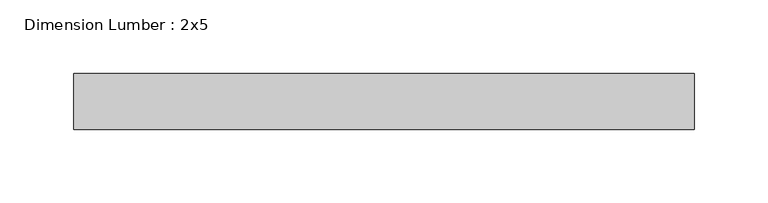
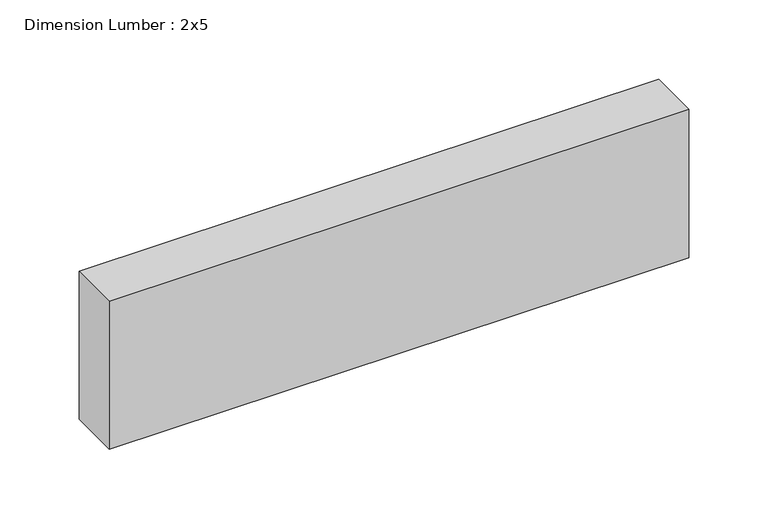
"""IFC4 building model written with IfcOpenShell, lengths in millimetres: beam geometry, Dimension Lumber : 2x5."""

from ifc_helpers import new_model, si_unit, frame, origin, place, context, project, spatial, polyline, outline, extrude, source, transform, mapped, element, save


def dimension_lumber_2x5_c65f589e(model_context):
    return source(origin(), model_context, "Body", "SweptSolid", [
        extrude(outline(polyline([(209.4026681, 19.05), (209.4026681, -19.05), (-212.8672009, -19.05), (-212.8672009, 19.05), (209.4026681, 19.05)])), frame((0.0, 0.0, -57.15), z_axis=(0.0, 0.0, 1.0), x_axis=(1.0, 0.0, 0.0)), (0.0, 0.0, 1.0), 114.3),
    ])


if __name__ == "__main__":
    model = new_model("IFC4")
    model_context = context("Model", 3, world=origin())
    ifc_project = project(units=[si_unit("LENGTHUNIT", "METRE", prefix="MILLI")], contexts=[model_context])
    site = spatial("IfcSite", under=ifc_project)
    building = spatial("IfcBuilding", under=site)
    placement = place(None, origin())
    dimension_lumber_2x5_shape = dimension_lumber_2x5_c65f589e(model_context)
    element("IfcBeam", 1, ObjectType="Dimension Lumber : 2x5", at=placement, inside=building, context=model_context, shape_type="MappedRepresentation", body=[
        mapped(dimension_lumber_2x5_shape, transform((0.0, 0.0, 0.0), x_axis=(1.0, 0.0, 0.0), y_axis=(0.0, 1.0, 0.0), z_axis=(0.0, 0.0, 1.0))),
    ])
    save(model, "model.ifc")
